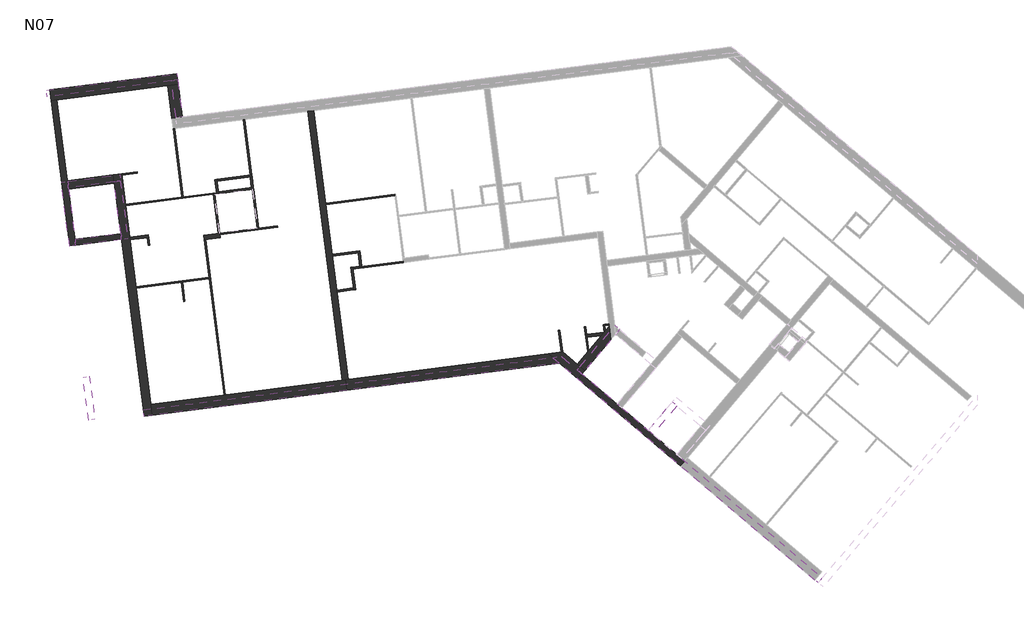
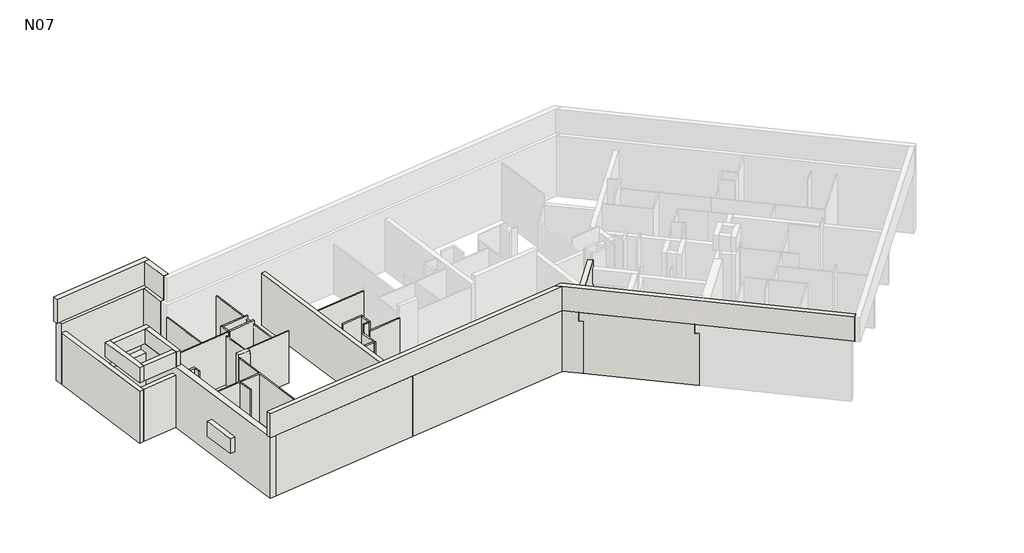
# One storey, part 1 of 3: 52 walls.
"""IFC4 building model written with IfcOpenShell, lengths in millimetres."""

from ifc_helpers import new_model, si_unit, frame, origin, place, context, project, spatial, polyline, outline, extrude, faceted_brep, element, save

model = new_model("IFC4")

# Units and contexts
model_context = context("Model", 3, world=origin())
ifc_project = project(units=[si_unit("LENGTHUNIT", "METRE", prefix="MILLI")], contexts=[model_context])

# Site, building, storey
site = spatial("IfcSite", under=ifc_project)
building = spatial("IfcBuilding", under=site)
storey = spatial("IfcBuildingStorey", under=building, Name="N07", Elevation=19690.0)

# Walls
placement = place(None, origin())
element("IfcWall", 1, at=placement, inside=storey, context=model_context, shape_type="Brep", body=[
    faceted_brep([(5758.2370181, 14194.8714572, 19690.0), (-1162.1110386, 13310.3917107, 19690.0), (-1261.3041591, 13297.7139805, 19690.0), (-1261.3041591, 13297.7139805, 22610.0), (5758.2370181, 14194.8714572, 22610.0), (6140.2224716, 13870.6827304, 19690.0), (6140.2224716, 13870.6827304, 22610.0), (-1214.3965571, 12930.6994346, 22610.0), (-1214.3965571, 12930.6994346, 19860.0), (-1214.3965571, 12930.6994346, 19690.0), (-1216.9321031, 12950.5380587, 19690.0), (5913.0959858, 14063.443595, 22610.0)], [[[0, 1, 2, 3, 4]], [[5, 6, 7, 8, 9]], [[2, 1, 0, 5, 9, 10]], [[4, 3, 7, 6, 11]], [[0, 4, 11, 6, 5]], [[2, 10, 9, 8, 7, 3]]]),
])
element("IfcWall", 2, at=placement, inside=storey, context=model_context, shape_type="Brep", body=[
    faceted_brep([(7021.6826483, 13607.8829857, 19690.0), (7925.3724793, 14672.6836444, 19690.0), (7925.3724793, 14672.6836444, 22190.0), (7021.6826483, 13607.8829857, 22190.0), (6754.8319743, 13834.3575268, 19690.0), (6754.8319743, 13834.3575268, 22190.0), (7865.2890942, 15142.7881766, 22190.0), (7865.2890942, 15142.7881766, 19690.0), (7734.3217869, 14988.4718721, 19690.0), (7690.5124995, 14936.8522163, 19690.0), (7594.5428873, 14823.773035, 19690.0), (6888.2573113, 13721.1202563, 22190.0)], [[[0, 1, 2, 3]], [[4, 5, 6, 7, 8, 9, 10]], [[1, 0, 4, 10, 9, 8, 7]], [[3, 2, 6, 5, 11]], [[0, 3, 11, 5, 4]], [[1, 7, 6, 2]]]),
])
element("IfcWall", 3, at=placement, inside=storey, context=model_context, shape_type="Brep", body=[
    faceted_brep([(10469.9067999, 10484.6569146, 19690.0), (10302.1720905, 10627.0123404, 19690.0), (10203.0561258, 10711.1314557, 19690.0), (8296.9798826, 12328.8067492, 19690.0), (8144.4937831, 12458.2207726, 19690.0), (6924.6221307, 13493.5184111, 19690.0), (6924.6221307, 13493.5184111, 22190.0), (6791.1967937, 13606.7556817, 22190.0), (6791.1967937, 13606.7556817, 22420.0), (6791.1967937, 13606.7556817, 22610.0), (10336.4814628, 10597.8941851, 22610.0), (10336.4814628, 10597.8941851, 22190.0), (10469.9067999, 10484.6569146, 22190.0), (6782.2667049, 13325.7837017, 19690.0), (10159.8166646, 10459.277631, 19690.0), (10327.551374, 10316.9222052, 19690.0), (10327.551374, 10316.9222052, 22190.0), (10194.126037, 10430.1594757, 22190.0), (10194.126037, 10430.1594757, 22610.0), (6648.8413679, 13439.0209723, 22610.0), (6648.8413679, 13439.0209723, 22190.0), (6782.2667049, 13325.7837017, 22190.0)], [[[0, 1, 2, 3, 4, 5, 6, 7, 8, 9, 10, 11, 12]], [[13, 14, 15, 16, 17, 18, 19, 20, 21]], [[5, 4, 3, 2, 1, 0, 15, 14, 13]], [[10, 9, 19, 18]], [[19, 9, 8, 7, 20]], [[20, 7, 6, 21]], [[6, 5, 13, 21]], [[10, 18, 17, 11]], [[15, 0, 12, 16]], [[11, 17, 16, 12]]]),
])
element("IfcWall", 4, at=placement, inside=storey, context=model_context, shape_type="Brep", body=[
    faceted_brep([(7021.6826483, 13607.8829857, 19690.0), (6888.2573113, 13721.1202563, 19690.0), (6754.8319743, 13834.3575268, 19690.0), (6255.2046664, 14258.3881787, 19690.0), (6255.2046664, 14258.3881787, 22610.0), (6853.9479389, 13750.2384115, 22610.0), (6888.2573113, 13721.1202563, 22610.0), (6888.2573113, 13721.1202563, 22420.0), (6888.2573113, 13721.1202563, 22190.0), (7021.6826483, 13607.8829857, 22190.0), (6782.2667049, 13325.7837017, 19690.0), (6782.2667049, 13325.7837017, 22190.0), (6648.8413679, 13439.0209723, 22190.0), (6648.8413679, 13439.0209723, 22610.0), (6140.2224716, 13870.6827304, 22610.0), (5913.0959858, 14063.443595, 22610.0), (5758.2370181, 14194.8714572, 22610.0), (5758.2370181, 14194.8714572, 19690.0), (6140.2224716, 13870.6827304, 19690.0), (6648.8413679, 13439.0209723, 19690.0), (6924.6221307, 13493.5184111, 19690.0), (6791.1967937, 13606.7556817, 22610.0), (6791.1967937, 13606.7556817, 22190.0), (6924.6221307, 13493.5184111, 22190.0)], [[[0, 1, 2, 3, 4, 5, 6, 7, 8, 9]], [[10, 11, 12, 13, 14, 15, 16, 17, 18, 19]], [[3, 2, 1, 0, 20, 10, 19, 18, 17]], [[6, 5, 4, 16, 15, 14, 13, 21]], [[8, 7, 6, 21, 13, 12, 22]], [[8, 22, 12, 11, 23, 9]], [[0, 9, 23, 11, 10, 20]], [[4, 3, 17, 16]]]),
])
element("IfcWall", 5, at=placement, inside=storey, context=model_context, shape_type="Brep", body=[
    faceted_brep([(-11422.5288425, 22947.3623567, 19690.0), (-10780.4703476, 17923.7671021, 19690.0), (-10780.4703476, 17923.7671021, 22190.0), (-11422.5288425, 22947.3623567, 22190.0), (-11224.1426015, 22972.7178173, 19690.0), (-11224.1426015, 22972.7178173, 22190.0), (-10866.6306077, 20175.4718191, 22190.0), (-10829.8651899, 19887.8117696, 22190.0), (-10607.4395672, 18147.5088036, 22190.0), (-10582.0841066, 17949.1225626, 22190.0), (-10582.0841066, 17949.1225626, 19690.0), (-10607.4395672, 18147.5088036, 19690.0), (-10829.8651899, 19887.8117696, 19690.0), (-10866.6306077, 20175.4718191, 19690.0)], [[[0, 1, 2, 3]], [[4, 5, 6, 7, 8, 9, 10, 11, 12, 13]], [[1, 0, 4, 13, 12, 11, 10]], [[3, 2, 9, 8, 7, 6, 5]], [[2, 1, 10, 9]], [[0, 3, 5, 4]]]),
])
element("IfcWall", 6, at=placement, inside=storey, context=model_context, shape_type="Brep", body=[
    faceted_brep([(-9279.5406797, 20378.3155035, 19690.0), (-9242.7752619, 20090.655454, 19690.0), (-9020.3496391, 18350.352488, 19690.0), (-8994.9941786, 18151.966247, 19690.0), (-8260.2511655, 12403.1886151, 19690.0), (-8213.3435635, 12036.1740692, 19690.0), (-8213.3435635, 12036.1740692, 22610.0), (-8241.2345701, 12254.3989343, 22610.0), (-9279.5406797, 20378.3155035, 22610.0), (-9279.5406797, 20378.3155035, 22190.0), (-7925.683514, 12072.939487, 22610.0), (-7925.683514, 12072.939487, 19690.0), (-7972.5911161, 12439.9540329, 19690.0), (-8991.8806302, 20415.0809213, 19690.0), (-8991.8806302, 20415.0809213, 22610.0), (-7972.5911161, 12439.9540329, 22610.0)], [[[0, 1, 2, 3, 4, 5, 6, 7, 8, 9]], [[10, 11, 12, 13, 14, 15]], [[5, 4, 3, 2, 1, 0, 13, 12, 11]], [[8, 7, 6, 10, 15, 14]], [[6, 5, 11, 10]], [[0, 9, 8, 14, 13]]]),
])
element("IfcWall", 7, at=placement, inside=storey, context=model_context, shape_type="SweptSolid", body=[
    extrude(outline(polyline([(-8994.9941786, 18151.966247), (-10582.0841066, 17949.1225626), (-10607.4395672, 18147.5088036), (-9020.3496391, 18350.352488), (-8994.9941786, 18151.966247)])), frame((0.0, 0.0, 19690.0), z_axis=(0.0, 0.0, 1.0), x_axis=(1.0, 0.0, 0.0)), (0.0, 0.0, 1.0), 2500.0),
])
element("IfcWall", 8, at=placement, inside=storey, context=model_context, shape_type="Brep", body=[
    faceted_brep([(15232.6585509, 6442.538524, 22610.0), (10370.7908352, 10568.7760299, 22610.0), (10336.4814628, 10597.8941851, 22610.0), (10203.0561258, 10711.1314557, 22610.0), (8312.2284926, 12315.8653468, 22610.0), (8144.4937832, 12458.2207726, 22610.0), (6791.1967937, 13606.7556817, 22610.0), (6756.8874213, 13635.8738369, 22610.0), (6208.5902631, 14101.2102942, 22610.0), (6208.5902631, 14101.2102942, 23770.0), (15232.6585509, 6442.538524, 23770.0), (15090.3031251, 6274.8038146, 22610.0), (15090.3031251, 6274.8038146, 23770.0), (6140.2224716, 13870.6827304, 23770.0), (5913.0959858, 14063.443595, 23770.0), (5913.0959858, 14063.443595, 22610.0), (6140.2224716, 13870.6827304, 22610.0), (6648.8413679, 13439.0209723, 22610.0), (10194.126037, 10430.1594757, 22610.0), (14975.9385505, 6371.8643322, 22610.0)], [[[0, 1, 2, 3, 4, 5, 6, 7, 8, 9, 10]], [[11, 12, 13, 14, 15, 16, 17, 18, 19]], [[8, 7, 6, 5, 4, 3, 2, 1, 0, 11, 19, 18, 17, 16, 15]], [[10, 9, 14, 13, 12]], [[0, 10, 12, 11]], [[9, 8, 15, 14]]]),
])
element("IfcWall", 9, at=placement, inside=storey, context=model_context, shape_type="Brep", body=[
    faceted_brep([(5913.0959858, 14063.443595, 22610.0), (-8241.2345701, 12254.3989343, 22610.0), (-8241.2345701, 12254.3989343, 23770.0), (5913.0959858, 14063.443595, 23770.0), (6140.2224716, 13870.6827304, 22610.0), (6140.2224716, 13870.6827304, 23770.0), (-8213.3435635, 12036.1740692, 23770.0), (-8213.3435635, 12036.1740692, 22610.0), (-7925.683514, 12072.939487, 22610.0), (-1214.3965571, 12930.6994346, 22610.0)], [[[0, 1, 2, 3]], [[4, 5, 6, 7, 8, 9]], [[0, 3, 5, 4]], [[1, 0, 4, 9, 8, 7]], [[2, 1, 7, 6]], [[3, 2, 6, 5]]]),
])
element("IfcWall", 10, at=placement, inside=storey, context=model_context, shape_type="Brep", body=[
    faceted_brep([(-6889.1025532, 22387.5811542, 22610.0), (-6889.1025532, 22387.5811542, 19690.0), (-7032.3609053, 23508.4634158, 19690.0), (-7032.3609053, 23508.4634158, 22610.0), (-7256.1170991, 22340.6735521, 19690.0), (-7256.1170991, 22340.6735521, 22610.0), (-7399.3754512, 23461.5558138, 22610.0), (-7399.3754512, 23461.5558138, 19690.0), (-7107.3274183, 22359.6901476, 22610.0)], [[[0, 1, 2, 3]], [[4, 5, 6, 7]], [[2, 1, 4, 7]], [[0, 3, 6, 5, 8]], [[3, 2, 7, 6]], [[0, 8, 5, 4, 1]]]),
])
element("IfcWall", 11, at=placement, inside=storey, context=model_context, shape_type="Brep", body=[
    faceted_brep([(-11422.5288425, 22947.3623567, 19690.0), (-11224.1426015, 22972.7178173, 19690.0), (-7399.3754512, 23461.5558138, 19690.0), (-7032.3609053, 23508.4634158, 19690.0), (-7032.3609053, 23508.4634158, 22610.0), (-7399.3754512, 23461.5558138, 22610.0), (-11422.5288425, 22947.3623567, 22610.0), (-11422.5288425, 22947.3623567, 22190.0), (-11469.4364445, 23314.3769026, 19690.0), (-11469.4364445, 23314.3769026, 22610.0), (-7079.2685073, 23875.4779617, 22610.0), (-7079.2685073, 23875.4779617, 19690.0), (-7446.2830532, 23828.5703597, 19690.0), (-7051.3775007, 23657.2530966, 22610.0)], [[[0, 1, 2, 3, 4, 5, 6, 7]], [[8, 9, 10, 11, 12]], [[3, 2, 1, 0, 8, 12, 11]], [[6, 5, 4, 13, 10, 9]], [[4, 3, 11, 10, 13]], [[0, 7, 6, 9, 8]]]),
])
element("IfcWall", 12, at=placement, inside=storey, context=model_context, shape_type="Brep", body=[
    faceted_brep([(-1162.1110386, 13310.3917107, 19690.0), (-1547.514039, 16325.862574, 19690.0), (-1556.3884502, 16395.2977584, 19690.0), (-1705.3517809, 17560.8169243, 19690.0), (-1714.2261921, 17630.2521086, 19690.0), (-1934.1848124, 19351.2527494, 19690.0), (-1940.5236775, 19400.8493096, 19690.0), (-2348.7465924, 22594.8677898, 19690.0), (-2348.7465924, 22594.8677898, 22190.0), (-1162.1110386, 13310.3917107, 22190.0), (-1360.4972796, 13285.0362502, 19690.0), (-1360.4972796, 13285.0362502, 22190.0), (-2547.1328334, 22569.5123292, 22190.0), (-2547.1328334, 22569.5123292, 19690.0), (-1261.3041591, 13297.7139805, 19690.0)], [[[0, 1, 2, 3, 4, 5, 6, 7, 8, 9]], [[10, 11, 12, 13]], [[7, 6, 5, 4, 3, 2, 1, 0, 14, 10, 13]], [[9, 8, 12, 11]], [[8, 7, 13, 12]], [[0, 9, 11, 10, 14]]]),
])
element("IfcWall", 13, at=placement, inside=storey, context=model_context, shape_type="Brep", body=[
    faceted_brep([(-1261.3041591, 13297.7139805, 22610.0), (-1261.3041591, 13297.7139805, 19690.0), (-1360.4972796, 13285.0362502, 19690.0), (-7972.5911161, 12439.9540329, 19690.0), (-7972.5911161, 12439.9540329, 22610.0), (-1214.3965571, 12930.6994346, 19690.0), (-1214.3965571, 12930.6994346, 22610.0), (-7925.683514, 12072.939487, 22610.0), (-7925.683514, 12072.939487, 19690.0)], [[[0, 1, 2, 3, 4]], [[5, 6, 7, 8]], [[3, 2, 1, 5, 8]], [[0, 4, 7, 6]], [[0, 6, 5, 1]], [[4, 3, 8, 7]]]),
])
element("IfcWall", 14, at=placement, inside=storey, context=model_context, shape_type="Brep", body=[
    faceted_brep([(-6889.1025532, 22387.5811542, 22610.0), (-7032.3609053, 23508.4634158, 22610.0), (-7051.3775007, 23657.2530966, 22610.0), (-7051.3775007, 23657.2530966, 23770.0), (-6889.1025532, 22387.5811542, 23770.0), (-7107.3274183, 22359.6901476, 22610.0), (-7107.3274183, 22359.6901476, 23770.0), (-7269.6023658, 23629.36209, 23770.0), (-7269.6023658, 23629.36209, 22610.0)], [[[0, 1, 2, 3, 4]], [[5, 6, 7, 8]], [[2, 1, 0, 5, 8]], [[4, 3, 7, 6]], [[0, 4, 6, 5]], [[3, 2, 8, 7]]]),
])
element("IfcWall", 15, at=placement, inside=storey, context=model_context, shape_type="Brep", body=[
    faceted_brep([(-7051.3775007, 23657.2530966, 23770.0), (-7269.6023658, 23629.36209, 23770.0), (-11555.5295284, 23081.5838946, 23770.0), (-11555.5295284, 23081.5838946, 22610.0), (-7269.6023658, 23629.36209, 22610.0), (-7051.3775007, 23657.2530966, 22610.0), (-7079.2685073, 23875.4779617, 23770.0), (-7079.2685073, 23875.4779617, 22610.0), (-11469.4364445, 23314.3769026, 22610.0), (-11583.420535, 23299.8087597, 22610.0), (-11583.420535, 23299.8087597, 23770.0)], [[[0, 1, 2, 3, 4, 5]], [[6, 7, 8, 9, 10]], [[2, 1, 0, 6, 10]], [[5, 4, 3, 9, 8, 7]], [[3, 2, 10, 9]], [[0, 5, 7, 6]]]),
])
element("IfcWall", 16, at=placement, inside=storey, context=model_context, shape_type="Brep", body=[
    faceted_brep([(-11071.8380274, 20124.6081647, 22610.0), (-10789.1218866, 17912.580017, 22610.0), (-10789.1218866, 17912.580017, 23320.0), (-11071.8380274, 20124.6081647, 23320.0), (-10853.6131623, 20152.4991713, 22610.0), (-10853.6131623, 20152.4991713, 23320.0), (-10825.7221557, 19934.2743062, 23320.0), (-10598.7880281, 18158.6958887, 23320.0), (-10570.8970215, 17940.4710236, 23320.0), (-10570.8970215, 17940.4710236, 22610.0), (-10598.7880281, 18158.6958887, 22610.0), (-10825.7221557, 19934.2743062, 22610.0)], [[[0, 1, 2, 3]], [[4, 5, 6, 7, 8, 9, 10, 11]], [[1, 0, 4, 11, 10, 9]], [[3, 2, 8, 7, 6, 5]], [[0, 3, 5, 4]], [[2, 1, 9, 8]]]),
])
element("IfcWall", 17, at=placement, inside=storey, context=model_context, shape_type="Brep", body=[
    faceted_brep([(-9058.2176812, 20381.9660893, 22610.0), (-10853.6131623, 20152.4991713, 22610.0), (-10853.6131623, 20152.4991713, 23320.0), (-9058.2176812, 20381.9660893, 23320.0), (-9030.3266746, 20163.7412242, 22610.0), (-9030.3266746, 20163.7412242, 23320.0), (-9248.5515397, 20135.8502175, 23320.0), (-10825.7221557, 19934.2743062, 23320.0), (-10825.7221557, 19934.2743062, 22610.0), (-9248.5515397, 20135.8502175, 22610.0)], [[[0, 1, 2, 3]], [[4, 5, 6, 7, 8, 9]], [[1, 0, 4, 9, 8]], [[3, 2, 7, 6, 5]], [[2, 1, 8, 7]], [[0, 3, 5, 4]]]),
])
element("IfcWall", 18, at=placement, inside=storey, context=model_context, shape_type="Brep", body=[
    faceted_brep([(-8775.5015404, 18169.9379416, 22610.0), (-9030.3266746, 20163.7412242, 22610.0), (-9030.3266746, 20163.7412242, 23320.0), (-8775.5015404, 18169.9379416, 23320.0), (-8993.7264055, 18142.046935, 22610.0), (-8993.7264055, 18142.046935, 23320.0), (-9021.6174122, 18360.2718001, 23320.0), (-9248.5515397, 20135.8502175, 23320.0), (-9248.5515397, 20135.8502175, 22610.0), (-9021.6174122, 18360.2718001, 22610.0)], [[[0, 1, 2, 3]], [[4, 5, 6, 7, 8, 9]], [[1, 0, 4, 9, 8]], [[3, 2, 7, 6, 5]], [[2, 1, 8, 7]], [[0, 3, 5, 4]]]),
])
element("IfcWall", 19, at=placement, inside=storey, context=model_context, shape_type="SweptSolid", body=[
    extrude(outline(polyline([(-8993.7264055, 18142.046935), (-10570.8970215, 17940.4710236), (-10598.7880281, 18158.6958887), (-9021.6174122, 18360.2718001), (-8993.7264055, 18142.046935)])), frame((0.0, 0.0, 22610.0), z_axis=(0.0, 0.0, 1.0), x_axis=(1.0, 0.0, 0.0)), (0.0, 0.0, 1.0), 710.0),
])
element("IfcWall", 20, at=placement, inside=storey, context=model_context, shape_type="SweptSolid", body=[
    extrude(outline(polyline([(-10103.9445468, 13417.6355051), (-9913.7785927, 11929.7386975), (-10132.0034578, 11901.8476909), (-10322.1694119, 13389.7444984), (-10103.9445468, 13417.6355051)])), frame((0.0, 0.0, 22610.0), z_axis=(0.0, 0.0, 1.0), x_axis=(1.0, 0.0, 0.0)), (0.0, 0.0, 1.0), 710.0),
])
element("IfcWall", 21, at=placement, inside=storey, context=model_context, shape_type="Brep", body=[
    faceted_brep([(6924.6221307, 13493.5184111, 22420.0), (8231.8374488, 15033.7855293, 22420.0), (8231.8374488, 15033.7855293, 22610.0), (8231.8374488, 15033.7855293, 23320.0), (8231.8374488, 15033.7855293, 23610.0), (6924.6221307, 13493.5184111, 23610.0), (6924.6221307, 13493.5184111, 22610.0), (6853.9479389, 13750.2384115, 22420.0), (6853.9479389, 13750.2384115, 22610.0), (6756.8874213, 13635.8738369, 22610.0), (6756.8874213, 13635.8738369, 23610.0), (8064.1027393, 15176.1409551, 23610.0), (8064.1027393, 15176.1409551, 22420.0), (6791.1967937, 13606.7556817, 22420.0), (6888.2573113, 13721.1202563, 22420.0), (6791.1967937, 13606.7556817, 22610.0), (6888.2573113, 13721.1202563, 22610.0)], [[[0, 1, 2, 3, 4, 5, 6]], [[7, 8, 9, 10, 11, 12]], [[1, 0, 13, 14, 7, 12]], [[5, 4, 11, 10]], [[4, 3, 2, 1, 12, 11]], [[15, 9, 8, 16]], [[0, 6, 15, 13]], [[15, 16, 14, 13]], [[16, 8, 7, 14]], [[6, 5, 10, 9, 15]]]),
])
element("IfcWall", 22, at=placement, inside=storey, context=model_context, shape_type="Brep", body=[
    faceted_brep([(9379.6380342, 11409.9613727, 22420.0), (10207.8798263, 12385.8793801, 22420.0), (10207.8798263, 12385.8793801, 22800.0), (9379.6380342, 11409.9613727, 22800.0), (9379.6380342, 11409.9613727, 22610.0), (10040.1439404, 12528.2334197, 22420.0), (9211.9033248, 11552.3167986, 22420.0), (9211.9033248, 11552.3167986, 22610.0), (9211.9033248, 11552.3167986, 22800.0), (10040.1439404, 12528.2334197, 22800.0), (10040.1439404, 12528.2334197, 22610.0)], [[[0, 1, 2, 3, 4]], [[5, 6, 7, 8, 9, 10]], [[1, 0, 6, 5]], [[2, 1, 5, 10, 9]], [[6, 0, 4, 3, 8, 7]], [[3, 2, 9, 8]]]),
])
element("IfcWall", 23, at=placement, inside=storey, context=model_context, shape_type="SweptSolid", body=[
    extrude(outline(polyline([(-9242.7752619, 20090.655454), (-10829.8651899, 19887.8117696), (-10866.6306077, 20175.4718191), (-9279.5406797, 20378.3155035), (-9242.7752619, 20090.655454)])), frame((0.0, 0.0, 19690.0), z_axis=(0.0, 0.0, 1.0), x_axis=(1.0, 0.0, 0.0)), (0.0, 0.0, 1.0), 2500.0),
])
element("IfcWall", 24, ObjectType="CLO 10", at=placement, inside=storey, context=model_context, shape_type="SweptSolid", body=[
    extrude(outline(polyline([(7095.3537765, 14860.7858346), (7690.5124995, 14936.8522163), (7594.5428873, 14823.773035), (7108.0315067, 14761.5927141), (7095.3537765, 14860.7858346)])), frame((0.0, 0.0, 19690.0), z_axis=(0.0, 0.0, 1.0), x_axis=(1.0, 0.0, 0.0)), (0.0, 0.0, 1.0), 2350.0),
])
element("IfcWall", 25, ObjectType="CLO 10", at=placement, inside=storey, context=model_context, shape_type="Brep", body=[
    faceted_brep([(-8699.616304, 18128.3458433, 19690.0), (-8104.457581, 18204.4122249, 19690.0), (-8054.8610207, 18210.7510901, 19690.0), (-8054.8610207, 18210.7510901, 22190.0), (-8104.457581, 18204.4122249, 22190.0), (-8699.616304, 18128.3458433, 22190.0), (-8712.2940343, 18227.5389638, 19690.0), (-8712.2940343, 18227.5389638, 22190.0), (-8067.538751, 18309.9442106, 22190.0), (-8067.538751, 18309.9442106, 19690.0)], [[[0, 1, 2, 3, 4, 5]], [[6, 7, 8, 9]], [[2, 1, 0, 6, 9]], [[5, 4, 3, 8, 7]], [[0, 5, 7, 6]], [[3, 2, 9, 8]]]),
])
element("IfcWall", 26, ObjectType="CLO 5", at=placement, inside=storey, context=model_context, shape_type="Brep", body=[
    faceted_brep([(7011.5273445, 15122.2683948, 19690.0), (7118.0981267, 14288.4370852, 19690.0), (7118.0981267, 14288.4370852, 22040.0), (7011.5273445, 15122.2683948, 22040.0), (7061.1239047, 15128.60726, 19690.0), (7061.1239047, 15128.60726, 22040.0), (7095.3537765, 14860.7858346, 22040.0), (7108.0315067, 14761.5927141, 22040.0), (7167.6946869, 14294.7759503, 22040.0), (7167.6946869, 14294.7759503, 19690.0), (7108.0315067, 14761.5927141, 19690.0), (7095.3537765, 14860.7858346, 19690.0)], [[[0, 1, 2, 3]], [[4, 5, 6, 7, 8, 9, 10, 11]], [[1, 0, 4, 11, 10, 9]], [[2, 1, 9, 8]], [[3, 2, 8, 7, 6, 5]], [[0, 3, 5, 4]]]),
])
element("IfcWall", 27, ObjectType="CLO 5", at=placement, inside=storey, context=model_context, shape_type="SweptSolid", body=[
    extrude(outline(polyline([(6158.7239449, 15013.2728171), (6255.2046664, 14258.3881787), (6205.6081061, 14252.0493135), (6109.1273846, 15006.9339519), (6158.7239449, 15013.2728171)])), frame((0.0, 0.0, 19690.0), z_axis=(0.0, 0.0, 1.0), x_axis=(1.0, 0.0, 0.0)), (0.0, 0.0, 1.0), 2500.0),
])
element("IfcWall", 28, ObjectType="CLO 5", at=placement, inside=storey, context=model_context, shape_type="Brep", body=[
    faceted_brep([(7734.3217869, 14988.4718721, 19690.0), (7712.2180531, 15161.4159465, 19690.0), (7705.879188, 15211.0125068, 19690.0), (7705.879188, 15211.0125068, 22040.0), (7712.2180531, 15161.4159465, 22040.0), (7734.3217869, 14988.4718721, 22040.0), (7690.5124995, 14936.8522163, 19690.0), (7690.5124995, 14936.8522163, 22040.0), (7656.2826277, 15204.6736416, 22040.0), (7656.2826277, 15204.6736416, 19690.0)], [[[0, 1, 2, 3, 4, 5]], [[6, 7, 8, 9]], [[2, 1, 0, 6, 9]], [[5, 4, 3, 8, 7]], [[3, 2, 9, 8]], [[0, 5, 7, 6]]]),
])
element("IfcWall", 29, ObjectType="CLO 5", at=placement, inside=storey, context=model_context, shape_type="SweptSolid", body=[
    extrude(outline(polyline([(7860.4863389, 15180.3659032), (7712.2180531, 15161.4159465), (7705.879188, 15211.0125068), (7854.1474738, 15229.9624634), (7860.4863389, 15180.3659032)])), frame((0.0, 0.0, 19690.0), z_axis=(0.0, 0.0, 1.0), x_axis=(1.0, 0.0, 0.0)), (0.0, 0.0, 1.0), 2350.0),
])
element("IfcWall", 30, ObjectType="CLO 5", at=placement, inside=storey, context=model_context, shape_type="SweptSolid", body=[
    extrude(outline(polyline([(451.4097357, 19656.1521625), (-1934.1848124, 19351.2527494), (-1940.5236775, 19400.8493096), (445.0708706, 19705.7487227), (451.4097357, 19656.1521625)])), frame((0.0, 0.0, 19690.0), z_axis=(0.0, 0.0, 1.0), x_axis=(1.0, 0.0, 0.0)), (0.0, 0.0, 1.0), 2350.0),
])
element("IfcWall", 31, ObjectType="CLO 5", at=placement, inside=storey, context=model_context, shape_type="SweptSolid", body=[
    extrude(outline(polyline([(-8070.2277092, 17936.5907996), (-8104.457581, 18204.4122249), (-8054.8610207, 18210.7510901), (-8020.631149, 17942.9296647), (-8070.2277092, 17936.5907996)])), frame((0.0, 0.0, 19690.0), z_axis=(0.0, 0.0, 1.0), x_axis=(1.0, 0.0, 0.0)), (0.0, 0.0, 1.0), 2500.0),
])
element("IfcWall", 32, ObjectType="CLO 5", at=placement, inside=storey, context=model_context, shape_type="Brep", body=[
    faceted_brep([(-3604.7314669, 18618.2142485, 19690.0), (-4249.4867502, 18535.8090017, 19690.0), (-4299.0833104, 18529.4701366, 19690.0), (-5598.5130803, 18363.3918839, 19690.0), (-5598.5130803, 18363.3918839, 22040.0), (-5623.3113604, 18360.2224513, 22040.0), (-5623.3113604, 18360.2224513, 22190.0), (-3604.7314669, 18618.2142485, 22190.0), (-3598.3926018, 18568.6176883, 19690.0), (-3598.3926018, 18568.6176883, 22190.0), (-5616.9724953, 18310.625891, 22190.0), (-5616.9724953, 18310.625891, 22040.0), (-5592.1742151, 18313.7953236, 22040.0), (-5592.1742151, 18313.7953236, 19690.0)], [[[0, 1, 2, 3, 4, 5, 6, 7]], [[8, 9, 10, 11, 12, 13]], [[3, 2, 1, 0, 8, 13]], [[7, 6, 10, 9]], [[0, 7, 9, 8]], [[6, 5, 11, 10]], [[11, 5, 4, 12]], [[4, 3, 13, 12]]]),
])
element("IfcWall", 33, ObjectType="CLO 5", at=placement, inside=storey, context=model_context, shape_type="Brep", body=[
    faceted_brep([(-8851.1578242, 19314.0372837, 19690.0), (-5819.9355291, 19701.453452, 19690.0), (-5770.3389689, 19707.7923171, 19690.0), (-5700.9037845, 19716.6667283, 19690.0), (-5700.9037845, 19716.6667283, 22190.0), (-8851.1578242, 19314.0372837, 22190.0), (-8857.4966893, 19363.633844, 19690.0), (-8857.4966893, 19363.633844, 22190.0), (-5707.2426497, 19766.2632885, 22190.0), (-5707.2426497, 19766.2632885, 19690.0), (-6857.8829562, 19619.2016035, 19690.0), (-6907.4795165, 19612.8627383, 19690.0)], [[[0, 1, 2, 3, 4, 5]], [[6, 7, 8, 9, 10, 11]], [[3, 2, 1, 0, 6, 11, 10, 9]], [[5, 4, 8, 7]], [[0, 5, 7, 6]], [[4, 3, 9, 8]]]),
])
element("IfcWall", 34, ObjectType="CLO 5", at=placement, inside=storey, context=model_context, shape_type="Brep", body=[
    faceted_brep([(-5819.9355291, 19701.453452, 19690.0), (-5648.1096405, 18357.0530187, 19690.0), (-5648.1096405, 18357.0530187, 22040.0), (-5819.9355291, 19701.453452, 22040.0), (-5770.3389689, 19707.7923171, 19690.0), (-5770.3389689, 19707.7923171, 22040.0), (-5598.5130803, 18363.3918839, 22040.0), (-5598.5130803, 18363.3918839, 19690.0), (-5623.3113604, 18360.2224513, 22040.0)], [[[0, 1, 2, 3]], [[4, 5, 6, 7]], [[1, 0, 4, 7]], [[3, 2, 8, 6, 5]], [[0, 3, 5, 4]], [[2, 1, 7, 6, 8]]]),
])
element("IfcWall", 35, ObjectType="CLO 5", at=placement, inside=storey, context=model_context, shape_type="SweptSolid", body=[
    extrude(outline(polyline([(-6907.4795165, 19612.8627383), (-7209.209497, 21973.6590063), (-7159.6129368, 21979.9978714), (-6857.8829562, 19619.2016035), (-6907.4795165, 19612.8627383)])), frame((0.0, 0.0, 19690.0), z_axis=(0.0, 0.0, 1.0), x_axis=(1.0, 0.0, 0.0)), (0.0, 0.0, 1.0), 2350.0),
])
element("IfcWall", 36, ObjectType="CLO 5", at=placement, inside=storey, context=model_context, shape_type="Brep", body=[
    faceted_brep([(-8486.6304354, 16461.9014188, 19690.0), (-6933.3857445, 16660.4193921, 19690.0), (-6883.7891843, 16666.7582572, 19690.0), (-5961.2931636, 16784.6611488, 19690.0), (-5961.2931636, 16784.6611488, 22040.0), (-6883.7891843, 16666.7582572, 22040.0), (-6933.3857445, 16660.4193921, 22040.0), (-8486.6304354, 16461.9014188, 22040.0), (-8492.9693005, 16511.4979791, 19690.0), (-8492.9693005, 16511.4979791, 22040.0), (-5967.6320288, 16834.257709, 22040.0), (-5967.6320288, 16834.257709, 19690.0)], [[[0, 1, 2, 3, 4, 5, 6, 7]], [[8, 9, 10, 11]], [[3, 2, 1, 0, 8, 11]], [[7, 6, 5, 4, 10, 9]], [[0, 7, 9, 8]], [[4, 3, 11, 10]]]),
])
element("IfcWall", 37, ObjectType="CLO 5", at=placement, inside=storey, context=model_context, shape_type="Brep", body=[
    faceted_brep([(-6133.7102954, 18133.6875876, 19690.0), (-5967.6320288, 16834.257709, 19690.0), (-5961.2931636, 16784.6611488, 19690.0), (-5447.2538443, 12762.7137628, 19690.0), (-5447.2538443, 12762.7137628, 22040.0), (-5961.2931636, 16784.6611488, 22040.0), (-5967.6320288, 16834.257709, 22040.0), (-6133.7102954, 18133.6875876, 22040.0), (-6084.1137351, 18140.0264528, 19690.0), (-6084.1137351, 18140.0264528, 22040.0), (-5397.6572841, 12769.052628, 22040.0), (-5397.6572841, 12769.052628, 19690.0)], [[[0, 1, 2, 3, 4, 5, 6, 7]], [[8, 9, 10, 11]], [[3, 2, 1, 0, 8, 11]], [[4, 3, 11, 10]], [[7, 6, 5, 4, 10, 9]], [[0, 7, 9, 8]]]),
])
element("IfcWall", 38, ObjectType="CLO 5", at=placement, inside=storey, context=model_context, shape_type="Brep", body=[
    faceted_brep([(-6933.3857445, 16660.4193921, 19690.0), (-6848.4449517, 15995.8254847, 19690.0), (-6848.4449517, 15995.8254847, 22040.0), (-6933.3857445, 16660.4193921, 22040.0), (-6883.7891843, 16666.7582572, 19690.0), (-6883.7891843, 16666.7582572, 21790.0), (-6883.7891843, 16666.7582572, 22040.0), (-6798.8483914, 16002.1643499, 22040.0), (-6798.8483914, 16002.1643499, 19690.0)], [[[0, 1, 2, 3]], [[4, 5, 6, 7, 8]], [[1, 0, 4, 8]], [[2, 1, 8, 7]], [[3, 2, 7, 6]], [[0, 3, 6, 5, 4]]]),
])
element("IfcWall", 39, ObjectType="CLO 5", at=placement, inside=storey, context=model_context, shape_type="SweptSolid", body=[
    extrude(outline(polyline([(-4421.3126388, 19880.209435), (-4249.4867502, 18535.8090017), (-4299.0833104, 18529.4701366), (-4470.909199, 19873.8705698), (-4421.3126388, 19880.209435)])), frame((0.0, 0.0, 19690.0), z_axis=(0.0, 0.0, 1.0), x_axis=(1.0, 0.0, 0.0)), (0.0, 0.0, 1.0), 2350.0),
])
element("IfcWall", 40, ObjectType="CLO 5", at=placement, inside=storey, context=model_context, shape_type="SweptSolid", body=[
    extrude(outline(polyline([(-8439.9796023, 20435.2118776), (-8985.5417651, 20365.484361), (-8991.8806302, 20415.0809213), (-8446.3184675, 20484.8084378), (-8439.9796023, 20435.2118776)])), frame((0.0, 0.0, 19690.0), z_axis=(0.0, 0.0, 1.0), x_axis=(1.0, 0.0, 0.0)), (0.0, 0.0, 1.0), 2500.0),
])
element("IfcWall", 41, ObjectType="CLO 5", at=placement, inside=storey, context=model_context, shape_type="Brep", body=[
    faceted_brep([(740.461986, 17394.549015, 19690.0), (-682.9592932, 17212.6235856, 19690.0), (-752.3944776, 17203.7491744, 19690.0), (-752.3944776, 17203.7491744, 22040.0), (740.461986, 17394.549015, 22040.0), (746.8008511, 17344.9524548, 19690.0), (746.8008511, 17344.9524548, 22040.0), (-746.0556124, 17154.1526141, 22040.0), (-746.0556124, 17154.1526141, 19690.0)], [[[0, 1, 2, 3, 4]], [[5, 6, 7, 8]], [[2, 1, 0, 5, 8]], [[4, 3, 7, 6]], [[0, 4, 6, 5]], [[3, 2, 8, 7]]]),
])
element("IfcWall", 42, ObjectType="CLO 5", at=placement, inside=storey, context=model_context, shape_type="SweptSolid", body=[
    extrude(outline(polyline([(-4729.3814845, 22290.6022632), (-4484.7012902, 20376.1750375), (-4534.2978504, 20369.8361723), (-4778.9780447, 22284.263398), (-4729.3814845, 22290.6022632)])), frame((0.0, 0.0, 19690.0), z_axis=(0.0, 0.0, 1.0), x_axis=(1.0, 0.0, 0.0)), (0.0, 0.0, 1.0), 2350.0),
])
element("IfcWall", 43, ObjectType="CLO 7", at=placement, inside=storey, context=model_context, shape_type="Brep", body=[
    faceted_brep([(-1072.3480093, 17183.0190616, 19690.0), (-981.0683513, 16468.828594, 19690.0), (-972.1939401, 16399.3934096, 19690.0), (-972.1939401, 16399.3934096, 22040.0), (-981.0683513, 16468.828594, 22040.0), (-1072.3480093, 17183.0190616, 22040.0), (-1002.9128249, 17191.8934728, 19690.0), (-1002.9128249, 17191.8934728, 22040.0), (-902.7587557, 16408.2678208, 22040.0), (-902.7587557, 16408.2678208, 19690.0), (-994.0384137, 17122.4582884, 19690.0)], [[[0, 1, 2, 3, 4, 5]], [[6, 7, 8, 9, 10]], [[2, 1, 0, 6, 10, 9]], [[5, 4, 3, 8, 7]], [[3, 2, 9, 8]], [[0, 5, 7, 6]]]),
])
element("IfcWall", 44, ObjectType="CLO 7", at=placement, inside=storey, context=model_context, shape_type="SweptSolid", body=[
    extrude(outline(polyline([(-1556.3884502, 16395.2977584), (-981.0683513, 16468.828594), (-972.1939401, 16399.3934096), (-1547.514039, 16325.862574), (-1556.3884502, 16395.2977584)])), frame((0.0, 0.0, 19690.0), z_axis=(0.0, 0.0, 1.0), x_axis=(1.0, 0.0, 0.0)), (0.0, 0.0, 1.0), 2350.0),
])
element("IfcWall", 45, ObjectType="CLO 7", at=placement, inside=storey, context=model_context, shape_type="Brep", body=[
    faceted_brep([(-5631.4686002, 19725.5411395, 19690.0), (-5640.3430114, 19794.9763238, 19690.0), (-5685.9828404, 20152.0715577, 19690.0), (-5694.8572516, 20221.506742, 19690.0), (-5694.8572516, 20221.506742, 22190.0), (-5685.9828404, 20152.0715577, 22190.0), (-5640.3430114, 19794.9763238, 22190.0), (-5631.4686002, 19725.5411395, 22190.0), (-5700.9037845, 19716.6667283, 19690.0), (-5700.9037845, 19716.6667283, 22190.0), (-5707.2426497, 19766.2632885, 22190.0), (-5764.2924359, 20212.6323308, 22190.0), (-5764.2924359, 20212.6323308, 19690.0), (-5707.2426497, 19766.2632885, 19690.0)], [[[0, 1, 2, 3, 4, 5, 6, 7]], [[8, 9, 10, 11, 12, 13]], [[3, 2, 1, 0, 8, 13, 12]], [[7, 6, 5, 4, 11, 10, 9]], [[0, 7, 9, 8]], [[4, 3, 12, 11]]]),
])
element("IfcWall", 46, ObjectType="CLO 7", at=placement, inside=storey, context=model_context, shape_type="Brep", body=[
    faceted_brep([(-5685.9828404, 20152.0715577, 19690.0), (-4545.2620633, 20297.8654419, 19690.0), (-4475.826879, 20306.7398531, 19690.0), (-4475.826879, 20306.7398531, 22040.0), (-4475.826879, 20306.7398531, 22190.0), (-5685.9828404, 20152.0715577, 22190.0), (-5694.8572516, 20221.506742, 19690.0), (-5694.8572516, 20221.506742, 22190.0), (-4484.7012902, 20376.1750375, 22190.0), (-4484.7012902, 20376.1750375, 22040.0), (-4484.7012902, 20376.1750375, 19690.0), (-4534.2978504, 20369.8361723, 19690.0)], [[[0, 1, 2, 3, 4, 5]], [[6, 7, 8, 9, 10, 11]], [[2, 1, 0, 6, 11, 10]], [[5, 4, 8, 7]], [[4, 3, 2, 10, 9, 8]], [[0, 5, 7, 6]]]),
])
element("IfcWall", 47, ObjectType="CLO 7", at=placement, inside=storey, context=model_context, shape_type="Brep", body=[
    faceted_brep([(-1705.3517809, 17560.8169243, 19690.0), (-812.6136964, 17674.9164968, 19690.0), (-743.178512, 17683.790908, 19690.0), (-743.178512, 17683.790908, 22460.0), (-812.6136964, 17674.9164968, 22460.0), (-1705.3517809, 17560.8169243, 22460.0), (-1714.2261921, 17630.2521086, 19690.0), (-1714.2261921, 17630.2521086, 22460.0), (-752.0529232, 17753.2260923, 22460.0), (-752.0529232, 17753.2260923, 19690.0)], [[[0, 1, 2, 3, 4, 5]], [[6, 7, 8, 9]], [[2, 1, 0, 6, 9]], [[5, 4, 3, 8, 7]], [[3, 2, 9, 8]], [[0, 5, 7, 6]]]),
])
element("IfcWall", 48, ObjectType="CLO 7", at=placement, inside=storey, context=model_context, shape_type="Brep", body=[
    faceted_brep([(-812.6136964, 17674.9164968, 19690.0), (-752.3944776, 17203.7491744, 19690.0), (-752.3944776, 17203.7491744, 22040.0), (-752.3944776, 17203.7491744, 22460.0), (-812.6136964, 17674.9164968, 22460.0), (-743.178512, 17683.790908, 19690.0), (-743.178512, 17683.790908, 22460.0), (-682.9592932, 17212.6235856, 22460.0), (-682.9592932, 17212.6235856, 19690.0)], [[[0, 1, 2, 3, 4]], [[5, 6, 7, 8]], [[1, 0, 5, 8]], [[4, 3, 7, 6]], [[3, 2, 1, 8, 7]], [[0, 4, 6, 5]]]),
])
element("IfcWall", 49, ObjectType="CLO 7", at=placement, inside=storey, context=model_context, shape_type="Brep", body=[
    faceted_brep([(-994.0384137, 17122.4582884, 19690.0), (-775.8135486, 17150.349295, 19690.0), (-775.8135486, 17150.349295, 22460.0), (-994.0384137, 17122.4582884, 22460.0), (-1002.9128249, 17191.8934728, 19690.0), (-1002.9128249, 17191.8934728, 22040.0), (-1002.9128249, 17191.8934728, 22460.0), (-784.6879598, 17219.7844794, 22460.0), (-784.6879598, 17219.7844794, 19690.0)], [[[0, 1, 2, 3]], [[4, 5, 6, 7, 8]], [[1, 0, 4, 8]], [[2, 1, 8, 7]], [[3, 2, 7, 6]], [[0, 3, 6, 5, 4]]]),
])
element("IfcWall", 50, ObjectType="CLO 7", at=placement, inside=storey, context=model_context, shape_type="SweptSolid", body=[
    extrude(outline(polyline([(-4475.826879, 20306.7398531), (-4430.18705, 19949.6446193), (-4499.6222343, 19940.7702081), (-4545.2620633, 20297.8654419), (-4475.826879, 20306.7398531)])), frame((0.0, 0.0, 19690.0), z_axis=(0.0, 0.0, 1.0), x_axis=(1.0, 0.0, 0.0)), (0.0, 0.0, 1.0), 2350.0),
])
element("IfcWall", 51, ObjectType="CLO 7", at=placement, inside=storey, context=model_context, shape_type="Brep", body=[
    faceted_brep([(-5631.4686002, 19725.5411395, 19690.0), (-4470.909199, 19873.8705698, 19690.0), (-4421.3126388, 19880.209435, 19690.0), (-4421.3126388, 19880.209435, 22040.0), (-4421.3126388, 19880.209435, 22190.0), (-5631.4686002, 19725.5411395, 22190.0), (-5640.3430114, 19794.9763238, 19690.0), (-5640.3430114, 19794.9763238, 22190.0), (-4430.18705, 19949.6446193, 22190.0), (-4430.18705, 19949.6446193, 22040.0), (-4430.18705, 19949.6446193, 19690.0), (-4499.6222343, 19940.7702081, 19690.0)], [[[0, 1, 2, 3, 4, 5]], [[6, 7, 8, 9, 10, 11]], [[2, 1, 0, 6, 11, 10]], [[5, 4, 8, 7]], [[4, 3, 2, 10, 9, 8]], [[0, 5, 7, 6]]]),
])
element("IfcWall", 52, ObjectType="EXT 16 ST", at=placement, inside=storey, context=model_context, shape_type="Brep", body=[
    faceted_brep([(-5598.5130803, 18363.3918839, 19690.0), (-5648.1096405, 18357.0530187, 19690.0), (-6153.9946638, 18292.3965804, 19690.0), (-6153.9946638, 18292.3965804, 22190.0), (-5623.3113604, 18360.2224513, 22190.0), (-5623.3113604, 18360.2224513, 22040.0), (-5598.5130803, 18363.3918839, 22040.0), (-5578.2287118, 18204.6828911, 19690.0), (-5578.2287118, 18204.6828911, 22040.0), (-5603.026992, 18201.5134585, 22040.0), (-5603.026992, 18201.5134585, 22190.0), (-6133.7102954, 18133.6875876, 22190.0), (-6133.7102954, 18133.6875876, 22040.0), (-6133.7102954, 18133.6875876, 19690.0), (-6084.1137351, 18140.0264528, 19690.0), (-5592.1742151, 18313.7953236, 19690.0), (-5616.9724953, 18310.625891, 22190.0), (-5616.9724953, 18310.625891, 22040.0), (-5592.1742151, 18313.7953236, 22040.0)], [[[0, 1, 2, 3, 4, 5, 6]], [[7, 8, 9, 10, 11, 12, 13, 14]], [[2, 1, 0, 15, 7, 14, 13]], [[4, 3, 11, 10, 16]], [[3, 2, 13, 12, 11]], [[5, 4, 16, 10, 9, 17]], [[5, 17, 9, 8, 18, 6]], [[0, 6, 18, 8, 7, 15]]]),
])

save(model, "model.ifc")
